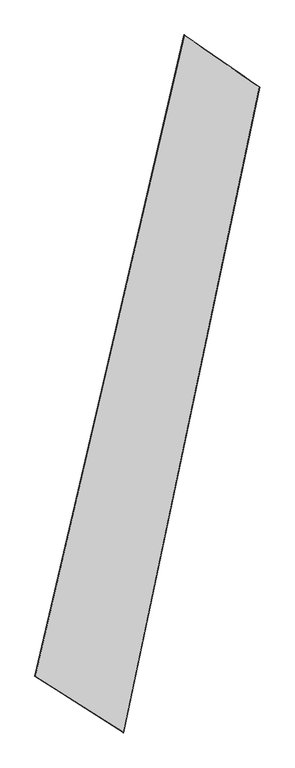
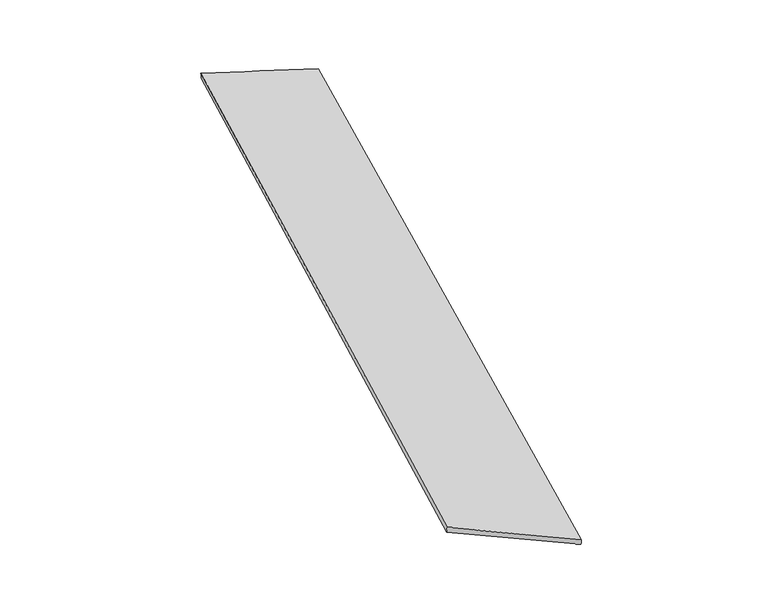
"""IFC4 building model written with IfcOpenShell, lengths in millimetres: proxy geometry."""

from ifc_helpers import new_model, si_unit, origin, place, context, project, spatial, source, transform, mapped, element, save
from ifc_brep_helpers import spline_surface, advanced_brep


def generic_models_98452b32(model_context):
    return source(origin(), model_context, "Body", "AdvancedBrep", [
        advanced_brep(
        [(-694.8393359, -1760.259651, 28.5641727), (-692.4697006, -1760.3801627, 58.4701973), (296.9965614, 2500.8524938, -3.2265251), (299.7719945, 2499.7725447, -33.0783371), (-104.1365831, -2132.9690331, 1.0917614), (797.8964988, 2152.8705183, 63.0072005), (-106.8565811, -2131.9596428, -28.7676215), (801.9239225, 2152.446749, 33.2817858)],
        [
            (0, 1),
            (1, 2),
            (2, 3),
            (3, 0),
            (1, 4),
            (4, 5),
            (5, 2),
            (4, 6),
            (6, 7),
            (7, 5),
            (6, 0),
            (3, 7),
        ],
        [
            spline_surface(1, 1, [[(-694.8393359, -1760.259651, 28.5641727), (299.7719945, 2499.7725447, -33.0783371)], [(-692.4697006, -1760.3801627, 58.4701973), (296.9965614, 2500.8524938, -3.2265251)]], [2, 2], [2, 2], [0.0, 1.0], [0.0, 1.0]),
            spline_surface(1, 1, [[(-692.4697006, -1760.3801627, 58.4701973), (296.9965614, 2500.8524938, -3.2265251)], [(-104.1365831, -2132.9690331, 1.0917614), (797.8964988, 2152.8705183, 63.0072005)]], [2, 2], [2, 2], [0.0, 1.0], [0.0, 1.0]),
            spline_surface(1, 1, [[(-104.1365831, -2132.9690331, 1.0917614), (797.8964988, 2152.8705183, 63.0072005)], [(-106.8565811, -2131.9596428, -28.7676215), (801.9239225, 2152.446749, 33.2817858)]], [2, 2], [2, 2], [0.0, 1.0], [0.0, 1.0]),
            spline_surface(1, 1, [[(-106.8565811, -2131.9596428, -28.7676215), (801.9239225, 2152.446749, 33.2817858)], [(-694.8393359, -1760.259651, 28.5641727), (299.7719945, 2499.7725447, -33.0783371)]], [2, 2], [2, 2], [0.0, 1.0], [0.0, 1.0]),
            spline_surface(1, 1, [[(296.9965614, 2500.8524938, -3.2265251), (299.7719945, 2499.7725447, -33.0783371)], [(797.8964988, 2152.8705183, 63.0072005), (801.9239225, 2152.446749, 33.2817858)]], [2, 2], [2, 2], [0.0, 1.0], [0.0, 1.0]),
            spline_surface(1, 1, [[(-106.8565811, -2131.9596428, -28.7676215), (-694.8393359, -1760.259651, 28.5641727)], [(-104.1365831, -2132.9690331, 1.0917614), (-692.4697006, -1760.3801627, 58.4701973)]], [2, 2], [2, 2], [0.0, 1.0], [0.0, 1.0]),
        ],
        [
            (0, [[1, 2, 3, 4]]),
            (1, [[5, 6, 7, -2]]),
            (2, [[8, 9, 10, -6]]),
            (3, [[11, -4, 12, -9]]),
            (4, [[-3, -7, -10, -12]]),
            (5, [[-11, -8, -5, -1]]),
        ],
    ),
    ])


if __name__ == "__main__":
    model = new_model("IFC4")
    model_context = context("Model", 3, world=origin())
    ifc_project = project(units=[si_unit("LENGTHUNIT", "METRE", prefix="MILLI")], contexts=[model_context])
    site = spatial("IfcSite", under=ifc_project)
    building = spatial("IfcBuilding", under=site)
    placement = place(None, origin())
    generic_models_shape = generic_models_98452b32(model_context)
    element("IfcBuildingElementProxy", 1, Name="Generic Models", at=placement, inside=building, context=model_context, shape_type="MappedRepresentation", body=[
        mapped(generic_models_shape, transform((0.0, 0.0, 0.0), x_axis=(1.0, 0.0, 0.0), y_axis=(0.0, 1.0, 0.0), z_axis=(0.0, 0.0, 1.0))),
    ])
    save(model, "model.ifc")
